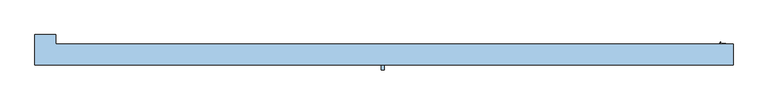
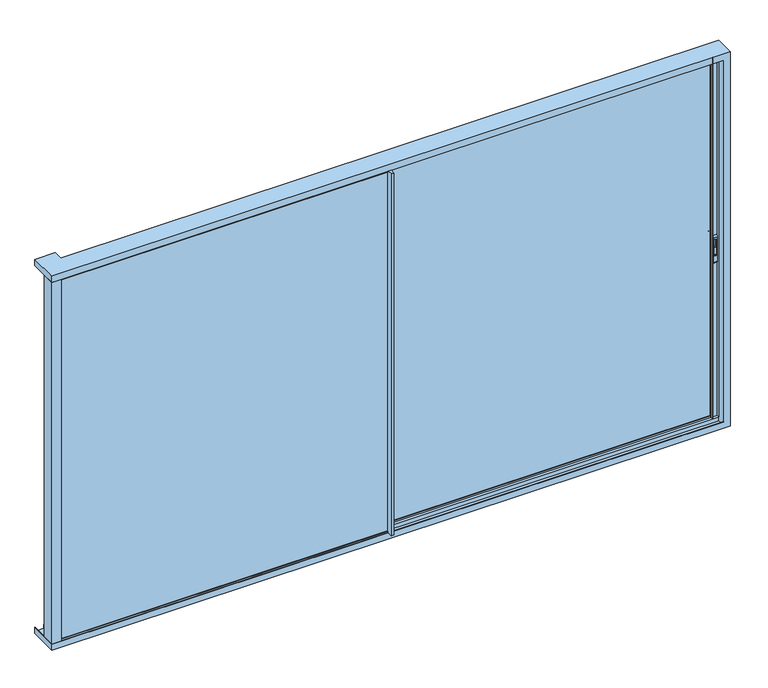
"""IFC4 building model written with IfcOpenShell, lengths in millimetres: window geometry."""

from ifc_helpers import new_model, si_unit, point, frame, frame_2d, origin, place, context, project, spatial, polyline, circle_curve, trimmed, segment, composite_curve, outline, extrude, faceted_brep, source, transform, mapped, element, save
from ifc_brep_helpers import plane_surface, cylinder_surface, revolved_surface, advanced_brep


def window_67a70d90(model_context):
    return source(origin(), model_context, "Body", "SolidModel", [
        extrude(outline(composite_curve([segment(polyline([(155.5, 2375.2189223), (149.7185218, 2375.2189223), (144.9370436, 2450.2189223)]), True, "CONTINUOUS"), segment(trimmed(circle_curve(frame_2d((144.9370436, 2439.6559659)), 10.5629564), [point((144.9370436, 2450.2189223))], [point((155.5, 2439.6559659))], False, "CARTESIAN"), True, "CONTINUOUS"), segment(polyline([(155.5, 2439.6559659), (155.5, 2375.2189223)]), True, "CONTINUOUS")], self_intersect=False)), frame((1763.6495372, 0.0, 0.0), z_axis=(1.0, 0.0, 0.0), x_axis=(0.0, 1.0, 0.0)), (0.0, 0.0, 1.0), 14.8235768),
        advanced_brep(
        [(1789.0571491, 155.5, 2307.5), (1789.0571491, 155.5, 2532.5), (1789.0571491, 143.5, 2550.0), (1789.0571491, 143.5, 2290.0), (1753.1034585, 155.5, 2307.5), (1753.1034585, 143.5, 2290.0), (1753.1034585, 143.5, 2550.0), (1753.1034585, 155.5, 2532.5), (1762.2660736, 155.5, 2516.667345), (1762.2660736, 155.5, 2360.7687336), (1779.8565776, 155.5, 2360.7687336), (1779.8565776, 155.5, 2516.667345), (1779.8565776, 144.9370436, 2516.667345), (1779.8565776, 144.9370436, 2360.7687336), (1762.2660736, 144.9370436, 2360.7687336), (1762.2660736, 144.9370436, 2516.667345)],
        [
            (0, 1),
            (1, 2, circle_curve(frame((1789.0571491, 136.7395833, 2532.5), z_axis=(1.0, 0.0, 0.0), x_axis=(0.0, 0.0, -1.0)), 18.7604167)),
            (2, 3),
            (3, 0, circle_curve(frame((1789.0571491, 136.7395833, 2307.5), z_axis=(1.0, 0.0, 0.0), x_axis=(0.0, 0.0, -1.0)), 18.7604167)),
            (4, 5, circle_curve(frame((1753.1034585, 136.7395833, 2307.5), z_axis=(-1.0, 0.0, 0.0), x_axis=(0.0, 0.0, -1.0)), 18.7604167)),
            (5, 6),
            (6, 7, circle_curve(frame((1753.1034585, 136.7395833, 2532.5), z_axis=(-1.0, 0.0, 0.0), x_axis=(0.0, 0.0, -1.0)), 18.7604167)),
            (7, 4),
            (2, 6),
            (5, 3),
            (0, 4),
            (7, 1),
            (8, 9),
            (9, 10),
            (10, 11),
            (11, 8),
            (12, 13),
            (13, 14),
            (14, 15),
            (15, 12),
            (15, 8),
            (11, 12),
            (14, 9),
            (13, 10),
        ],
        [
            plane_surface(frame((1789.0571491, 136.7395833, 2288.7395833), z_axis=(1.0, 0.0, 0.0), x_axis=(0.0, -1.0, 0.0))),
            plane_surface(frame((1753.1034585, 136.7395833, 2288.7395833), z_axis=(-1.0, 0.0, 0.0), x_axis=(0.0, 1.0, 0.0))),
            plane_surface(frame((1789.0571491, 143.5, 2290.0), z_axis=(0.0, -1.0, 0.0), x_axis=(-1.0, 0.0, 0.0))),
            plane_surface(frame((1789.0571491, 155.5, 2532.5), z_axis=(0.0, 1.0, 0.0), x_axis=(-1.0, 0.0, 0.0))),
            plane_surface(frame((1762.2660736, 144.9370436, 2516.667345), z_axis=(0.0, 1.0, 0.0), x_axis=(1.0, 0.0, 0.0))),
            plane_surface(frame((1779.8565776, 155.5, 2516.667345), z_axis=(0.0, 0.0, -1.0), x_axis=(0.0, -1.0, 0.0))),
            plane_surface(frame((1762.2660736, 155.5, 2516.667345), z_axis=(1.0, 0.0, 0.0), x_axis=(0.0, -1.0, 0.0))),
            plane_surface(frame((1762.2660736, 155.5, 2360.7687336), z_axis=(0.0, 0.0, 1.0), x_axis=(0.0, -1.0, 0.0))),
            plane_surface(frame((1779.8565776, 155.5, 2360.7687336), z_axis=(-1.0, 0.0, 0.0), x_axis=(0.0, -1.0, 0.0))),
            cylinder_surface(frame((1753.1034585, 136.7395833, 2307.5), z_axis=(1.0, 0.0, 0.0), x_axis=(0.0, 0.0, -1.0)), 18.7604167),
            cylinder_surface(frame((1753.1034585, 136.7395833, 2532.5), z_axis=(1.0, 0.0, 0.0), x_axis=(0.0, 0.0, -1.0)), 18.7604167),
        ],
        [
            (0, [[1, 2, 3, 4]]),
            (1, [[5, 6, 7, 8]]),
            (2, [[9, -6, 10, -3]]),
            (3, [[11, -8, 12, -1], [13, 14, 15, 16]]),
            (4, [[17, 18, 19, 20]]),
            (5, [[21, -16, 22, -20]]),
            (6, [[23, -13, -21, -19]]),
            (7, [[24, -14, -23, -18]]),
            (8, [[-22, -15, -24, -17]]),
            (9, [[-10, -5, -11, -4]]),
            (10, [[-12, -7, -9, -2]]),
        ],
    ),
        extrude(outline(composite_curve([segment(polyline([(62.5008191, 2375.2189223), (62.5008191, 2439.6559659)]), True, "CONTINUOUS"), segment(trimmed(circle_curve(frame_2d((73.0637755, 2439.6559659)), 10.5629564), [point((62.5008191, 2439.6559659))], [point((73.0637755, 2450.2189223))], False, "CARTESIAN"), True, "CONTINUOUS"), segment(polyline([(73.0637755, 2450.2189223), (68.2822973, 2375.2189223), (62.5008191, 2375.2189223)]), True, "CONTINUOUS")], self_intersect=False)), frame((1763.6874936, 0.0, 0.0), z_axis=(1.0, 0.0, 0.0), x_axis=(0.0, 1.0, 0.0)), (0.0, 0.0, 1.0), 14.8235768),
        advanced_brep(
        [(1753.1034585, 62.5008191, 2307.5), (1753.1034585, 62.5008191, 2532.5), (1753.1034585, 74.5008191, 2550.0), (1753.1034585, 74.5008191, 2290.0), (1789.0571491, 62.5008191, 2307.5), (1789.0571491, 74.5008191, 2290.0), (1789.0571491, 74.5008191, 2550.0), (1789.0571491, 62.5008191, 2532.5), (1779.894534, 62.5008191, 2516.667345), (1779.894534, 62.5008191, 2360.7687336), (1762.30403, 62.5008191, 2360.7687336), (1762.30403, 62.5008191, 2516.667345), (1762.30403, 73.0637755, 2516.667345), (1762.30403, 73.0637755, 2360.7687336), (1779.894534, 73.0637755, 2360.7687336), (1779.894534, 73.0637755, 2516.667345)],
        [
            (0, 1),
            (1, 2, circle_curve(frame((1753.1034585, 81.2612358, 2532.5), z_axis=(-1.0, 0.0, 0.0), x_axis=(0.0, 0.0, -1.0)), 18.7604167)),
            (2, 3),
            (3, 0, circle_curve(frame((1753.1034585, 81.2612358, 2307.5), z_axis=(-1.0, 0.0, 0.0), x_axis=(0.0, 0.0, -1.0)), 18.7604167)),
            (4, 5, circle_curve(frame((1789.0571491, 81.2612358, 2307.5), z_axis=(1.0, 0.0, 0.0), x_axis=(0.0, 0.0, -1.0)), 18.7604167)),
            (5, 6),
            (6, 7, circle_curve(frame((1789.0571491, 81.2612358, 2532.5), z_axis=(1.0, 0.0, 0.0), x_axis=(0.0, 0.0, -1.0)), 18.7604167)),
            (7, 4),
            (2, 6),
            (5, 3),
            (0, 4),
            (7, 1),
            (8, 9),
            (9, 10),
            (10, 11),
            (11, 8),
            (12, 13),
            (13, 14),
            (14, 15),
            (15, 12),
            (15, 8),
            (11, 12),
            (14, 9),
            (13, 10),
        ],
        [
            plane_surface(frame((1753.1034585, 81.2612358, 2288.7395833), z_axis=(-1.0, 0.0, 0.0), x_axis=(0.0, 1.0, 0.0))),
            plane_surface(frame((1789.0571491, 81.2612358, 2288.7395833), z_axis=(1.0, 0.0, 0.0), x_axis=(0.0, -1.0, 0.0))),
            plane_surface(frame((1753.1034585, 74.5008191, 2290.0), z_axis=(0.0, 1.0, 0.0), x_axis=(1.0, 0.0, 0.0))),
            plane_surface(frame((1753.1034585, 62.5008191, 2532.5), z_axis=(0.0, -1.0, 0.0), x_axis=(1.0, 0.0, 0.0))),
            plane_surface(frame((1779.894534, 73.0637755, 2516.667345), z_axis=(0.0, -1.0, 0.0), x_axis=(-1.0, 0.0, 0.0))),
            plane_surface(frame((1762.30403, 62.5008191, 2516.667345), z_axis=(0.0, 0.0, -1.0), x_axis=(0.0, 1.0, 0.0))),
            plane_surface(frame((1779.894534, 62.5008191, 2516.667345), z_axis=(-1.0, 0.0, 0.0), x_axis=(0.0, 1.0, 0.0))),
            plane_surface(frame((1779.894534, 62.5008191, 2360.7687336), z_axis=(0.0, 0.0, 1.0), x_axis=(0.0, 1.0, 0.0))),
            plane_surface(frame((1762.30403, 62.5008191, 2360.7687336), z_axis=(1.0, 0.0, 0.0), x_axis=(0.0, 1.0, 0.0))),
            cylinder_surface(frame((1789.0571491, 81.2612358, 2307.5), z_axis=(-1.0, 0.0, 0.0), x_axis=(0.0, 0.0, -1.0)), 18.7604167),
            cylinder_surface(frame((1789.0571491, 81.2612358, 2532.5), z_axis=(-1.0, 0.0, 0.0), x_axis=(0.0, 0.0, -1.0)), 18.7604167),
        ],
        [
            (0, [[1, 2, 3, 4]]),
            (1, [[5, 6, 7, 8]]),
            (2, [[9, -6, 10, -3]]),
            (3, [[11, -8, 12, -1], [13, 14, 15, 16]]),
            (4, [[17, 18, 19, 20]]),
            (5, [[21, -16, 22, -20]]),
            (6, [[23, -13, -21, -19]]),
            (7, [[24, -14, -23, -18]]),
            (8, [[-22, -15, -24, -17]]),
            (9, [[-10, -5, -11, -4]]),
            (10, [[-12, -7, -9, -2]]),
        ],
    ),
        faceted_brep([(1850.0, -30.0, 800.0), (-4150.0, -30.0, 800.0), (-4150.0, 230.5787092, 800.0), (-3970.0, 230.5787092, 800.0), (-3970.0, 150.0, 800.0), (1850.0, 150.0, 800.0), (1850.0, 150.0, 4300.0), (1850.0, -30.0, 4300.0), (-3970.0, 150.0, 857.0), (1793.0, 150.0, 857.0), (1793.0, 150.0, 4243.0), (-3970.0, 150.0, 4243.0), (-3970.0, 150.0, 4300.0), (-3970.0, 230.5787092, 857.0), (-3970.0, -26.3, 819.456958), (-3970.0, -26.3, 819.2), (-3970.0, 48.1016382, 819.2), (-3970.0, 48.1016382, 819.456958), (-4150.0, 230.5787092, 857.0), (-4146.3, 230.5787092, 857.0), (-4146.3, 230.5787092, 819.456958), (-4071.9016382, 230.5787092, 819.456958), (-4071.9016382, 230.5787092, 857.0), (-4048.1016382, 230.5787092, 857.0), (-4048.1016382, 230.5787092, 819.456958), (-3974.2, 230.5787092, 819.456958), (-3974.2, 230.5787092, 857.0), (-4150.0, -30.0, 857.0), (1793.0, -30.0, 857.0), (-4150.0, -30.0, 4300.0), (-4150.0, -30.0, 4243.0), (1793.0, -30.0, 4243.0), (1793.0, 145.8, 857.0), (1793.0, 145.8, 4243.0), (-3974.2, 145.8, 857.0), (-3974.2, 145.8, 819.456958), (1830.543042, 145.8, 819.456958), (1830.543042, 145.8, 4280.543042), (-3974.2, 145.8, 4280.543042), (-3974.2, 145.8, 4243.0), (1830.543042, 71.9016382, 819.456958), (1830.543042, 71.9016382, 4280.543042), (-4048.1016382, 71.8983618, 819.456958), (-4048.1016382, 71.9016382, 857.0), (1793.0, 71.9016382, 857.0), (1793.0, 71.9016382, 4243.0), (-4048.0983618, 71.9016382, 4243.0), (-4048.0983618, 71.9016382, 4280.543042), (1793.0, 48.1016382, 857.0), (1793.0, 48.1016382, 4243.0), (-4071.9016382, 48.0983618, 857.0), (-4071.9016382, 48.1016382, 819.456958), (1830.8, 48.1016382, 819.2), (1830.8, 48.1016382, 4280.8), (-4071.8983618, 48.1016382, 4280.8), (-4071.8983618, 48.1016382, 4243.0), (1830.8, -26.3, 819.2), (1830.8, -26.3, 4280.8), (-4146.3, -26.3, 819.456958), (-4146.3, -26.3, 857.0), (1793.0, -26.3, 857.0), (1793.0, -26.3, 4243.0), (-4146.3, -26.3, 4243.0), (-4146.3, -26.3, 4280.8), (-3970.0, 230.5787092, 4300.0), (-4150.0, 230.5787092, 4300.0), (-3970.0, 230.5787092, 4243.0), (-3974.2, 230.5787092, 4243.0), (-3974.2, 230.5787092, 4280.543042), (-4048.0983618, 230.5787092, 4280.543042), (-4048.0983618, 230.5787092, 4243.0), (-4071.8983618, 230.5787092, 4243.0), (-4071.8983618, 230.5787092, 4280.8), (-4146.3, 230.5787092, 4280.8), (-4146.3, 230.5787092, 4243.0), (-4150.0, 230.5787092, 4243.0)], [[[0, 1, 2, 3, 4, 5]], [[5, 6, 7, 0]], [[4, 8, 9, 10, 11, 12, 6, 5]], [[13, 8, 4, 3]], [[14, 15, 16, 17]], [[3, 2, 18, 19, 20, 21, 22, 23, 24, 25, 26, 13]], [[2, 1, 27, 18]], [[28, 27, 1, 0, 7, 29, 30, 31]], [[9, 32, 33, 10]], [[8, 13, 26, 34, 32, 9]], [[32, 34, 35, 36, 37, 38, 39, 33]], [[25, 35, 34, 26]], [[36, 40, 41, 37]], [[36, 35, 25, 24, 42, 40]], [[40, 42, 43, 44, 45, 46, 47, 41]], [[23, 43, 42, 24]], [[44, 48, 49, 45]], [[44, 43, 23, 22, 50, 48]], [[48, 50, 51, 17, 16, 52, 53, 54, 55, 49]], [[21, 51, 50, 22]], [[52, 56, 57, 53]], [[16, 15, 56, 52]], [[20, 58, 14, 17, 51, 21]], [[15, 14, 58, 59, 60, 61, 62, 63, 57, 56]], [[60, 28, 31, 61]], [[60, 59, 19, 18, 27, 28]], [[19, 59, 58, 20]], [[12, 64, 65, 29, 7, 6]], [[64, 12, 11, 66]], [[10, 33, 39, 67, 66, 11]], [[67, 39, 38, 68]], [[37, 41, 47, 69, 68, 38]], [[69, 47, 46, 70]], [[45, 49, 55, 71, 70, 46]], [[71, 55, 54, 72]], [[53, 57, 63, 73, 72, 54]], [[73, 63, 62, 74]], [[61, 31, 30, 75, 74, 62]], [[75, 30, 29, 65]], [[65, 64, 66, 67, 68, 69, 70, 71, 72, 73, 74, 75]]]),
        extrude(outline(polyline([(-1163.0, 82.0), (-1163.0, 136.0), (1748.5, 136.0), (1748.5, 82.0), (-1163.0, 82.0)])), frame((0.0, 0.0, 857.0), z_axis=(0.0, 0.0, 1.0), x_axis=(1.0, 0.0, 0.0)), (0.0, 0.0, 1.0), 3386.0),
        extrude(outline(polyline([(-4080.0008191, 38.0), (-1163.0, 38.0), (-1163.0, -16.0), (-4080.0008191, -16.0), (-4080.0008191, 38.0)])), frame((0.0, 0.0, 857.0), z_axis=(0.0, 0.0, 1.0), x_axis=(1.0, 0.0, 0.0)), (0.0, 0.0, 1.0), 3386.0),
        extrude(outline(polyline([(1794.6, -23.9), (1830.5, -23.9), (1830.5, -26.0), (1793.0, -26.0), (1793.0, 48.1016382), (1830.5, 48.1016382), (1830.5, 46.0016382), (1794.6, 46.0016382), (1794.6, -23.9)])), frame((0.0, 0.0, 820.982126), z_axis=(0.0, 0.0, 1.0), x_axis=(1.0, 0.0, 0.0)), (0.0, 0.0, 1.0), 3460.1391298),
        advanced_brep(
        [(-1176.0, 74.5008191, 845.5), (-1176.0, 74.5008191, 857.0), (-1176.0, 48.4969017, 857.0), (-1176.0, 48.4969017, 4243.0), (-1176.0, 74.5008191, 4243.0), (-1176.0, 74.5008191, 4257.5), (-1176.0, 143.5, 4257.5), (-1176.0, 143.5, 845.5), (1805.5, 143.5, 845.5), (1805.5, 74.5008191, 845.5), (1805.5, 143.5, 4257.5), (1739.6208983, 143.5, 857.0), (1739.6208983, 143.5, 4239.9999325), (1736.5, 143.5, 4239.9999325), (1736.5, 143.5, 857.0), (-1150.0, 143.5, 4231.0), (-1150.0, 143.5, 869.0), (1734.5, 143.5, 869.0), (1734.5, 143.5, 4231.0), (-1164.4, 48.4969017, 857.0), (-1164.4, 48.4969017, 4243.0), (-1164.4, 74.5008191, 857.0), (1805.5, 74.5008191, 4257.5), (-1164.4, 74.5008191, 4243.0), (1739.6211332, 74.5008191, 4239.9999325), (1739.6211332, 74.5008191, 857.0), (1736.5, 74.5008191, 857.0), (1736.5002349, 74.5008191, 4239.9999325), (-1150.0, 74.5008191, 869.0), (-1150.0, 74.5008191, 4231.0), (1734.5, 74.5008191, 4231.0), (1734.5, 74.5008191, 869.0), (1805.5, 82.0, 4239.9999325), (1805.5, 82.0, 4243.0), (1805.5, 135.8, 4243.0), (1805.5, 135.8, 4239.9999325), (1734.5, 136.0, 869.0), (1734.5, 136.0, 4231.0), (-1150.0, 135.8, 869.0), (1748.5, 135.8, 869.0), (1748.5, 136.0, 869.0), (-1150.0, 135.8, 4231.0), (1734.6162149, 150.0695393, 857.0), (1734.6162149, 152.5258588, 857.0), (1739.2836563, 167.7923717, 857.0), (1740.2399611, 168.5, 857.0), (1743.0, 168.5, 857.0), (1743.4747822, 167.8432139, 857.0), (1737.739631, 152.4330365, 857.0), (1737.626431, 150.4555341, 857.0), (1737.626431, 67.5444659, 857.0), (1737.739631, 65.5669635, 857.0), (1743.4747822, 50.1567861, 857.0), (1743.0, 49.5, 857.0), (1740.2399611, 49.5, 857.0), (1739.2836563, 50.2076283, 857.0), (1734.6162149, 65.4741412, 857.0), (1734.6162149, 67.9304607, 857.0), (1734.6162149, 150.0695393, 4239.9999325), (1737.626431, 150.4555341, 4239.9999325), (1748.5, 136.0, 4231.0), (1748.5, 82.0, 4239.9999325), (1748.5, 135.8, 4239.9999325), (1748.5, 135.8, 4231.0), (1748.5, 135.8, 860.0000675), (1748.5, 82.0, 860.0000675), (-1163.0, 135.8, 4243.0), (-1163.0, 135.8, 860.0000675), (-1163.0, 82.0, 860.0000675), (-1163.0, 82.0, 4243.0), (-1150.0, 82.0, 869.0), (1734.5, 82.0, 869.0), (1734.5, 82.0, 4231.0), (-1150.0, 82.0, 4231.0), (1734.6162149, 67.9304607, 4239.9999325), (1737.626431, 67.5444659, 4239.9999325), (1737.739631, 152.4330365, 4239.9999325), (1743.4747822, 167.8432139, 4239.9999325), (1743.0, 168.5, 4239.9999325), (1740.2399611, 168.5, 4239.9999325), (1739.2836563, 167.7923717, 4239.9999325), (1734.6162149, 152.5258588, 4239.9999325), (1734.6162149, 65.4741412, 4239.9999325), (1739.2836563, 50.2076283, 4239.9999325), (1740.2399611, 49.5, 4239.9999325), (1743.0, 49.5, 4239.9999325), (1743.4747822, 50.1567861, 4239.9999325), (1737.739631, 65.5669635, 4239.9999325)],
        [
            (0, 1),
            (1, 2),
            (2, 3),
            (3, 4),
            (4, 5),
            (5, 6),
            (6, 7),
            (7, 0),
            (7, 8),
            (8, 9),
            (9, 0),
            (6, 10),
            (10, 8),
            (11, 12),
            (12, 13),
            (13, 14),
            (14, 11),
            (15, 16),
            (16, 17),
            (17, 18),
            (18, 15),
            (2, 19),
            (19, 20),
            (20, 3),
            (1, 21),
            (21, 19),
            (22, 5),
            (4, 23),
            (23, 21),
            (9, 22),
            (24, 25),
            (25, 26),
            (26, 27),
            (27, 24),
            (28, 29),
            (29, 30),
            (30, 31),
            (31, 28),
            (10, 22),
            (32, 33),
            (33, 34),
            (34, 35),
            (35, 32),
            (17, 36),
            (36, 37),
            (37, 18),
            (38, 39),
            (39, 40),
            (40, 36),
            (16, 38),
            (15, 41),
            (41, 38),
            (14, 42),
            (42, 43, circle_curve(frame((1738.8993168, 151.297699, 857.0), z_axis=(0.0, 0.0, -1.0), x_axis=(1.0, 0.0, 0.0)), 4.4557085)),
            (43, 44),
            (44, 45, circle_curve(frame((1740.2399611, 167.5, 857.0), z_axis=(0.0, 0.0, -1.0), x_axis=(1.0, 0.0, 0.0)), 1.0)),
            (45, 46),
            (46, 47, circle_curve(frame((1743.0, 168.0, 857.0), z_axis=(0.0, 0.0, -1.0), x_axis=(1.0, 0.0, 0.0)), 0.5)),
            (47, 48, circle_curve(frame((1534.3068415, 236.9162025, 857.0), z_axis=(0.0, 0.0, -1.0), x_axis=(1.0, 0.0, 0.0)), 220.2777909)),
            (48, 49, circle_curve(frame((1740.5102161, 151.2824462, 857.0), z_axis=(0.0, 0.0, 1.0), x_axis=(1.0, 0.0, 0.0)), 3.0)),
            (49, 11),
            (25, 50),
            (50, 51, circle_curve(frame((1740.5102161, 66.7175538, 857.0), z_axis=(0.0, 0.0, 1.0), x_axis=(1.0, 0.0, 0.0)), 3.0)),
            (51, 52, circle_curve(frame((1534.3068415, -18.9162025, 857.0), z_axis=(0.0, 0.0, -1.0), x_axis=(1.0, 0.0, 0.0)), 220.2777909)),
            (52, 53, circle_curve(frame((1743.0, 50.0, 857.0), z_axis=(0.0, 0.0, -1.0), x_axis=(1.0, 0.0, 0.0)), 0.5)),
            (53, 54),
            (54, 55, circle_curve(frame((1740.2399611, 50.5, 857.0), z_axis=(0.0, 0.0, -1.0), x_axis=(1.0, 0.0, 0.0)), 1.0)),
            (55, 56),
            (56, 57, circle_curve(frame((1738.8993168, 66.702301, 857.0), z_axis=(0.0, 0.0, -1.0), x_axis=(1.0, 0.0, 0.0)), 4.4557085)),
            (57, 26),
            (58, 42),
            (13, 58),
            (49, 59),
            (59, 12),
            (60, 37),
            (40, 60),
            (61, 62),
            (62, 63),
            (63, 60),
            (39, 64),
            (64, 65),
            (65, 61),
            (41, 63),
            (62, 35),
            (34, 66),
            (66, 67),
            (67, 64),
            (67, 68),
            (68, 65),
            (66, 69),
            (69, 68),
            (69, 33),
            (32, 61),
            (70, 71),
            (71, 72),
            (72, 73),
            (73, 70),
            (28, 70),
            (73, 29),
            (71, 31),
            (30, 72),
            (23, 20),
            (57, 74),
            (74, 27),
            (75, 50),
            (24, 75),
            (48, 76),
            (76, 59, circle_curve(frame((1740.5102161, 151.2824462, 4239.9999325), z_axis=(0.0, 0.0, 1.0), x_axis=(1.0, 0.0, 0.0)), 3.0)),
            (47, 77),
            (77, 76, circle_curve(frame((1534.3068415, 236.9162025, 4239.9999325), z_axis=(0.0, 0.0, -1.0), x_axis=(1.0, 0.0, 0.0)), 220.2777909)),
            (46, 78),
            (78, 77, circle_curve(frame((1743.0, 168.0, 4239.9999325), z_axis=(0.0, 0.0, -1.0), x_axis=(1.0, 0.0, 0.0)), 0.5)),
            (45, 79),
            (79, 78),
            (44, 80),
            (80, 79, circle_curve(frame((1740.2399611, 167.5, 4239.9999325), z_axis=(0.0, 0.0, -1.0), x_axis=(1.0, 0.0, 0.0)), 1.0)),
            (43, 81),
            (81, 80),
            (58, 81, circle_curve(frame((1738.8993168, 151.297699, 4239.9999325), z_axis=(0.0, 0.0, -1.0), x_axis=(1.0, 0.0, 0.0)), 4.4557085)),
            (56, 82),
            (82, 74, circle_curve(frame((1738.8993168, 66.702301, 4239.9999325), z_axis=(0.0, 0.0, -1.0), x_axis=(1.0, 0.0, 0.0)), 4.4557085)),
            (55, 83),
            (83, 82),
            (54, 84),
            (84, 83, circle_curve(frame((1740.2399611, 50.5, 4239.9999325), z_axis=(0.0, 0.0, -1.0), x_axis=(1.0, 0.0, 0.0)), 1.0)),
            (53, 85),
            (85, 84),
            (52, 86),
            (86, 85, circle_curve(frame((1743.0, 50.0, 4239.9999325), z_axis=(0.0, 0.0, -1.0), x_axis=(1.0, 0.0, 0.0)), 0.5)),
            (51, 87),
            (87, 86, circle_curve(frame((1534.3068415, -18.9162025, 4239.9999325), z_axis=(0.0, 0.0, -1.0), x_axis=(1.0, 0.0, 0.0)), 220.2777909)),
            (75, 87, circle_curve(frame((1740.5102161, 66.7175538, 4239.9999325), z_axis=(0.0, 0.0, 1.0), x_axis=(1.0, 0.0, 0.0)), 3.0)),
        ],
        [
            plane_surface(frame((-1176.0, 143.5, 869.0), z_axis=(-1.0, 0.0, 0.0), x_axis=(0.0, 0.0, 1.0))),
            plane_surface(frame((-1176.0, 74.5008191, 845.5), z_axis=(0.0, 0.0, -1.0), x_axis=(1.0, 0.0, 0.0))),
            plane_surface(frame((-1176.0, 143.5, 845.5), z_axis=(0.0, 1.0, 0.0), x_axis=(1.0, 0.0, 0.0))),
            plane_surface(frame((-1164.4, 48.4969017, 4243.0), z_axis=(0.0, -1.0, 0.0), x_axis=(0.0, 0.0, -1.0))),
            plane_surface(frame((-1150.0, 143.5, 857.0), z_axis=(0.0, 0.0, -1.0), x_axis=(0.0, 1.0, 0.0))),
            plane_surface(frame((-1176.0, 74.5008191, 869.0), z_axis=(0.0, -1.0, 0.0), x_axis=(1.0, 0.0, 0.0))),
            plane_surface(frame((1805.5, 143.5, 869.0), z_axis=(1.0, 0.0, 0.0), x_axis=(0.0, 0.0, -1.0))),
            plane_surface(frame((1734.5, 136.0, 4239.9999325), z_axis=(-1.0, 0.0, 0.0), x_axis=(0.0, 0.0, -1.0))),
            plane_surface(frame((-1176.0, 143.5, 869.0), z_axis=(0.0, 0.0, 1.0), x_axis=(1.0, 0.0, 0.0))),
            plane_surface(frame((-1150.0, 143.5, 4243.0), z_axis=(1.0, 0.0, 0.0), x_axis=(0.0, 0.0, -1.0))),
            plane_surface(frame((1739.6208983, 74.5, 857.0), z_axis=(0.0, 0.0, -1.0), x_axis=(1.0, 0.0, 0.0))),
            plane_surface(frame((1736.5, 143.5, 4239.9999325), z_axis=(-0.9612616959383417, -0.27563735581691984, 0.0), x_axis=(0.0, 0.0, -1.0))),
            plane_surface(frame((1737.626431, 150.4555341, 4239.9999325), z_axis=(0.9612616959382343, 0.27563735581729426, 0.0), x_axis=(0.0, 0.0, -1.0))),
            plane_surface(frame((1748.5, 136.0, 4239.9999325), z_axis=(0.0, -1.0, 0.0), x_axis=(0.0, 0.0, -1.0))),
            plane_surface(frame((1748.5, 82.0, 4239.9999325), z_axis=(-1.0, 0.0, 0.0), x_axis=(0.0, 0.0, -1.0))),
            plane_surface(frame((-1176.0, 135.8, 869.0), z_axis=(0.0, -1.0, 0.0), x_axis=(1.0, 0.0, 0.0))),
            plane_surface(frame((-1176.0, 135.8, 860.0000675), z_axis=(0.0, 0.0, 1.0), x_axis=(1.0, 0.0, 0.0))),
            plane_surface(frame((-1163.0, 135.8, 4243.0), z_axis=(1.0, 0.0, 0.0), x_axis=(0.0, 0.0, -1.0))),
            plane_surface(frame((-1176.0, 82.0, 860.0000675), z_axis=(0.0, 1.0, 0.0), x_axis=(1.0, 0.0, 0.0))),
            plane_surface(frame((-1150.0, 82.0, 4243.0), z_axis=(1.0, 0.0, 0.0), x_axis=(0.0, 0.0, -1.0))),
            plane_surface(frame((1734.5, 74.5, 4239.9999325), z_axis=(-1.0, 0.0, 0.0), x_axis=(0.0, 0.0, -1.0))),
            plane_surface(frame((-1176.0, 82.0, 869.0), z_axis=(0.0, 0.0, 1.0), x_axis=(1.0, 0.0, 0.0))),
            plane_surface(frame((-1164.4, 74.5008191, 4243.0), z_axis=(1.0, 0.0, 0.0), x_axis=(0.0, 0.0, -1.0))),
            plane_surface(frame((1734.6162149, 67.9304607, 4239.9999325), z_axis=(-0.9612616959382837, 0.275637355817122, 0.0), x_axis=(0.0, 0.0, -1.0))),
            plane_surface(frame((1739.6208983, 74.5, 4239.9999325), z_axis=(0.9612616959382899, -0.27563735581710047, 0.0), x_axis=(0.0, 0.0, -1.0))),
            revolved_surface(polyline([(1743.5102161, 151.2824462, 857.0), (1743.5102161, 151.2824462, 4239.9999325)]), (1740.5102161, 151.2824462, 857.0), (0.0, 0.0, -1.0)),
            cylinder_surface(frame((1534.3068415, 236.9162025, 857.0), z_axis=(0.0, 0.0, 1.0), x_axis=(1.0, 0.0, 0.0)), 220.2777909),
            cylinder_surface(frame((1743.0, 168.0, 857.0), z_axis=(0.0, 0.0, 1.0), x_axis=(1.0, 0.0, 0.0)), 0.5),
            plane_surface(frame((1740.2399611, 168.5, 4239.9999325), z_axis=(0.0, 1.0, 0.0), x_axis=(0.0, 0.0, -1.0))),
            cylinder_surface(frame((1740.2399611, 167.5, 857.0), z_axis=(0.0, 0.0, 1.0), x_axis=(1.0, 0.0, 0.0)), 1.0),
            plane_surface(frame((1734.6162149, 152.5258588, 4239.9999325), z_axis=(-0.9563047559631225, 0.2923717047224525, 0.0), x_axis=(0.0, 0.0, -1.0))),
            cylinder_surface(frame((1738.8993168, 151.297699, 857.0), z_axis=(0.0, 0.0, 1.0), x_axis=(1.0, 0.0, 0.0)), 4.4557085),
            cylinder_surface(frame((1738.8993168, 66.702301, 857.0), z_axis=(0.0, 0.0, 1.0), x_axis=(1.0, 0.0, 0.0)), 4.4557085),
            plane_surface(frame((1739.2836563, 50.2076283, 4239.9999325), z_axis=(-0.9563047559630996, -0.292371704722527, 0.0), x_axis=(0.0, 0.0, -1.0))),
            cylinder_surface(frame((1740.2399611, 50.5, 857.0), z_axis=(0.0, 0.0, 1.0), x_axis=(1.0, 0.0, 0.0)), 1.0),
            plane_surface(frame((1743.0, 49.5, 4239.9999325), z_axis=(0.0, -1.0, 0.0), x_axis=(0.0, 0.0, -1.0))),
            cylinder_surface(frame((1743.0, 50.0, 857.0), z_axis=(0.0, 0.0, 1.0), x_axis=(1.0, 0.0, 0.0)), 0.5),
            cylinder_surface(frame((1534.3068415, -18.9162025, 857.0), z_axis=(0.0, 0.0, 1.0), x_axis=(1.0, 0.0, 0.0)), 220.2777909),
            revolved_surface(polyline([(1743.5102161, 66.7175538, 857.0), (1743.5102161, 66.7175538, 4239.9999325)]), (1740.5102161, 66.7175538, 857.0), (0.0, 0.0, -1.0)),
            plane_surface(frame((-1176.0, 143.5, 4257.5), z_axis=(0.0, 0.0, 1.0), x_axis=(1.0, 0.0, 0.0))),
            plane_surface(frame((-1150.0, 143.5, 4243.0), z_axis=(0.0, 0.0, 1.0), x_axis=(0.0, -1.0, 0.0))),
            plane_surface(frame((1739.6208983, 74.5, 4239.9999325), z_axis=(0.0, 0.0, 1.0), x_axis=(-1.0, 0.0, 0.0))),
            plane_surface(frame((-1176.0, 82.0, 4243.0), z_axis=(0.0, 0.0, -1.0), x_axis=(1.0, 0.0, 0.0))),
            plane_surface(frame((-1176.0, 135.8, 4231.0), z_axis=(0.0, 0.0, -1.0), x_axis=(1.0, 0.0, 0.0))),
            plane_surface(frame((-1176.0, 74.5008191, 4231.0), z_axis=(0.0, 0.0, -1.0), x_axis=(1.0, 0.0, 0.0))),
        ],
        [
            (0, [[1, 2, 3, 4, 5, 6, 7, 8]]),
            (1, [[9, 10, 11, -8]]),
            (2, [[-7, 12, 13, -9], [14, 15, 16, 17], [18, 19, 20, 21]]),
            (3, [[-3, 22, 23, 24]]),
            (4, [[-2, 25, 26, -22]]),
            (5, [[27, -5, 28, 29, -25, -1, -11, 30], [31, 32, 33, 34], [35, 36, 37, 38]]),
            (6, [[-13, 39, -30, -10], [40, 41, 42, 43]]),
            (7, [[44, 45, 46, -20]]),
            (8, [[47, 48, 49, -44, -19, 50]]),
            (9, [[51, 52, -50, -18]]),
            (10, [[-17, 53, 54, 55, 56, 57, 58, 59, 60, 61]]),
            (10, [[-32, 62, 63, 64, 65, 66, 67, 68, 69, 70]]),
            (11, [[71, -53, -16, 72]]),
            (12, [[-61, 73, 74, -14]]),
            (13, [[75, -45, -49, 76]]),
            (14, [[77, 78, 79, -76, -48, 80, 81, 82]]),
            (15, [[83, -78, 84, -42, 85, 86, 87, -80, -47, -52]]),
            (16, [[-81, -87, 88, 89]]),
            (17, [[-86, 90, 91, -88]]),
            (18, [[-82, -89, -91, 92, -40, 93], [94, 95, 96, 97]]),
            (19, [[98, -97, 99, -35]]),
            (20, [[100, -37, 101, -95]]),
            (21, [[-38, -100, -94, -98]]),
            (22, [[-23, -26, -29, 102]]),
            (23, [[-70, 103, 104, -33]]),
            (24, [[105, -62, -31, 106]]),
            (25, [[-73, -60, 107, 108]]),
            (26, [[-107, -59, 109, 110]]),
            (27, [[-109, -58, 111, 112]]),
            (28, [[-111, -57, 113, 114]]),
            (29, [[-113, -56, 115, 116]]),
            (30, [[-115, -55, 117, 118]]),
            (31, [[-117, -54, -71, 119]]),
            (32, [[-103, -69, 120, 121]]),
            (33, [[-120, -68, 122, 123]]),
            (34, [[-122, -67, 124, 125]]),
            (35, [[-124, -66, 126, 127]]),
            (36, [[-126, -65, 128, 129]]),
            (37, [[-128, -64, 130, 131]]),
            (38, [[-130, -63, -105, 132]]),
            (39, [[-27, -39, -12, -6]]),
            (40, [[-28, -4, -24, -102]]),
            (41, [[-15, -74, -108, -110, -112, -114, -116, -118, -119, -72]]),
            (41, [[-34, -104, -121, -123, -125, -127, -129, -131, -132, -106]]),
            (41, [[-84, -77, -93, -43]]),
            (42, [[-92, -90, -85, -41]]),
            (43, [[-21, -46, -75, -79, -83, -51]]),
            (44, [[-96, -101, -36, -99]]),
        ],
    ),
        faceted_brep([(-4075.9123052, 38.0, 857.0), (-4075.9123052, 45.2, 857.0), (-4075.9123052, 45.2, 843.0), (-4075.9123052, -23.3, 843.0), (-4075.9123052, -23.3, 857.0), (-4075.9123052, -16.0, 857.0), (-1163.0, -16.0, 857.0), (-1163.0, 38.0, 857.0), (-4150.0, -30.0, 857.0), (-4150.0, 90.0, 857.0), (-4146.2, 90.0, 857.0), (-4146.2, 77.4991809, 857.0), (-4071.8016382, 77.4991809, 857.0), (-4071.8016382, 90.0, 857.0), (-4068.0008191, 90.0, 857.0), (-4068.0008191, 45.6991809, 857.0), (-4068.8087553, 45.2, 857.0), (-4080.0008191, 38.0, 857.0), (-4080.0008191, -16.0, 857.0), (-4069.1559312, -23.3, 857.0), (-4068.0008191, -23.9991809, 857.0), (-4068.0008191, -30.0, 857.0), (-1150.0, -23.3, 843.0), (-1150.0, -23.3, 857.0), (-1175.0, -23.3, 857.0), (-1175.0, -23.3, 869.0), (-4068.0008191, -23.3, 869.0), (-4068.0008191, -23.3, 4231.0), (-1175.0, -23.3, 4231.0), (-1175.0, -23.3, 4243.0), (-1150.0, -23.3, 4243.0), (-1150.0, -23.3, 4257.5), (-4075.9123052, -23.3, 4257.5), (-4075.9123052, -23.3, 4243.0), (-4069.1559312, -23.3, 4243.0), (-1150.0, 45.2, 843.0), (-4068.8087553, 45.2, 4243.0), (-4075.9123052, 45.2, 4243.0), (-4075.9123052, 45.2, 4257.5), (-1150.0, 45.2, 4257.5), (-1150.0, 45.2, 4243.0), (-1176.0, 45.2, 4243.0), (-1176.0, 45.2, 4231.0), (-4068.0008191, 45.2, 4231.0), (-4068.0008191, 45.2, 869.0), (-1176.0, 45.2, 869.0), (-1176.0, 45.2, 857.0), (-1150.0, 45.2, 857.0), (-1150.0, 71.5030983, 857.0), (-1150.0, 71.5030983, 4243.0), (-1150.0, -73.5, 4243.0), (-1150.0, -73.5, 857.0), (-1176.0, 45.5, 857.0), (-1161.6, 45.5, 857.0), (-1161.6, 71.5030983, 857.0), (-1175.0, -73.5, 857.0), (-1175.0, -73.5, 4243.0), (-1161.6, 71.5030983, 4243.0), (-1176.0, 38.0, 869.0), (-1176.0, 38.0, 4231.0), (-1176.0, 45.5, 4243.0), (-4068.0008191, 38.0, 869.0), (-4068.0008191, 38.0, 4231.0), (-4068.0008191, 45.6991809, 4243.0), (-1163.0, 38.0, 4243.0), (-4075.9123052, 38.0, 4243.0), (-4080.0008191, 38.0, 4243.0), (-4080.0008191, -16.0, 4243.0), (-1163.0, -16.0, 4243.0), (-4075.9123052, -16.0, 4243.0), (-1175.0, -16.0, 4231.0), (-4068.0008191, -16.0, 4231.0), (-4068.0008191, -16.0, 869.0), (-1175.0, -16.0, 869.0), (-4068.0008191, -23.9991809, 4243.0), (-1161.6, 45.5, 4243.0), (-4150.0, -30.0, 4243.0), (-4068.0008191, -30.0, 4243.0), (-4068.0008191, 90.0, 4243.0), (-4071.8016382, 90.0, 4243.0), (-4071.8016382, 77.4991809, 4243.0), (-4146.2, 77.4991809, 4243.0), (-4146.2, 90.0, 4243.0), (-4150.0, 90.0, 4243.0)], [[[0, 1, 2, 3, 4, 5]], [[6, 7, 0, 5]], [[8, 9, 10, 11, 12, 13, 14, 15, 16, 1, 0, 17, 18, 5, 4, 19, 20, 21]], [[22, 23, 24, 25, 26, 27, 28, 29, 30, 31, 32, 33, 34, 19, 4, 3]], [[2, 35, 22, 3]], [[2, 1, 16, 36, 37, 38, 39, 40, 41, 42, 43, 44, 45, 46, 47, 35]], [[35, 47, 48, 49, 40, 39, 31, 30, 50, 51, 23, 22]], [[48, 47, 46, 52, 53, 54]], [[55, 24, 23, 51]], [[56, 55, 51, 50]], [[49, 48, 54, 57]], [[52, 46, 45, 58, 59, 42, 41, 60]], [[45, 44, 61, 58]], [[43, 62, 61, 44]], [[16, 15, 63, 36]], [[0, 7, 64, 65, 66, 17], [58, 61, 62, 59]], [[67, 18, 17, 66]], [[6, 68, 64, 7]], [[69, 68, 6, 5, 18, 67], [70, 71, 72, 73]], [[56, 29, 28, 70, 73, 25, 24, 55]], [[73, 72, 26, 25]], [[71, 27, 26, 72]], [[74, 20, 19, 34]], [[57, 54, 53, 75]], [[75, 53, 52, 60]], [[76, 8, 21, 77]], [[77, 21, 20, 74]], [[63, 15, 14, 78]], [[78, 14, 13, 79]], [[79, 13, 12, 80]], [[80, 12, 11, 81]], [[81, 11, 10, 82]], [[82, 10, 9, 83]], [[83, 9, 8, 76]], [[50, 30, 29, 56]], [[60, 41, 40, 49, 57, 75]], [[32, 31, 39, 38]], [[59, 62, 43, 42]], [[38, 37, 65, 69, 33, 32]], [[76, 77, 74, 34, 33, 69, 67, 66, 65, 37, 36, 63, 78, 79, 80, 81, 82, 83]], [[64, 68, 69, 65]], [[28, 27, 71, 70]]]),
    ])


if __name__ == "__main__":
    model = new_model("IFC4")
    model_context = context("Model", 3, world=origin())
    ifc_project = project(units=[si_unit("LENGTHUNIT", "METRE", prefix="MILLI")], contexts=[model_context])
    site = spatial("IfcSite", under=ifc_project)
    building = spatial("IfcBuilding", under=site)
    placement = place(None, origin())
    window_shape = window_67a70d90(model_context)
    element("IfcWindow", 1, at=placement, inside=building, context=model_context, shape_type="MappedRepresentation", body=[
        mapped(window_shape, transform((0.0, 0.0, 0.0), x_axis=(1.0, 0.0, 0.0), y_axis=(0.0, 1.0, 0.0), z_axis=(0.0, 0.0, 1.0))),
    ])
    save(model, "model.ifc")
